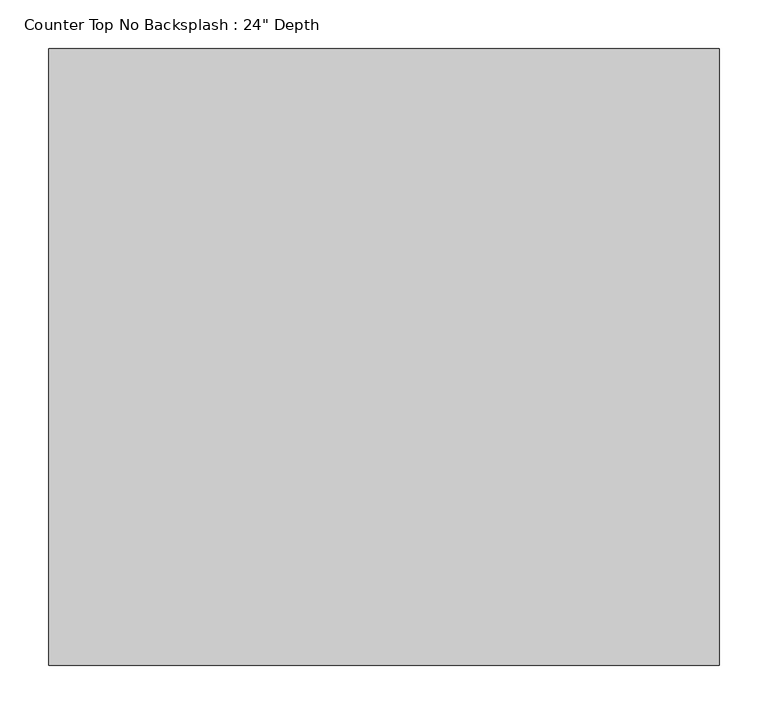
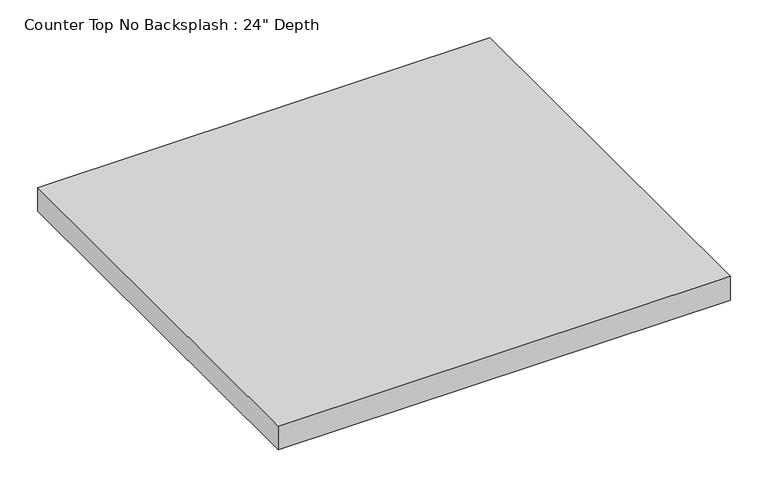
"""IFC4 building model written with IfcOpenShell, lengths in millimetres: furniture geometry."""

import ifcopenshell
import ifcopenshell.guid

model = None  # the IFC model being written
_history = None  # IfcOwnerHistory: only IFC2X3 demands one
_inside = {}  # id of a spatial element -> (the spatial element, [elements in it])
_under = {}  # id of a project, library or spatial element -> (it, [spatial elements below it])
_declared = {}  # id of a project -> (the project, [libraries it declares])
_typed = {}  # id of a type object -> (the type object, [elements of that type])
_made_of = {}  # id of a material, layer set ... -> (it, [elements and type objects made of it])


def new_model(schema):
    """Start an empty IFC model of exactly this schema.

    Asked for "IFC4X3", IfcOpenShell would pick the latest addendum, in which some entities
    have other attributes; the version numbers below select the first issue.
    IFC2X3 requires an IfcOwnerHistory on every rooted entity: one is made here for all.
    """
    global model, _history
    if schema == "IFC4X3":
        model = ifcopenshell.file(schema_version=(4, 3, 0, 0))
    else:
        model = ifcopenshell.file(schema=schema)
    _inside.clear()
    _under.clear()
    _declared.clear()
    _typed.clear()
    _made_of.clear()
    _history = None
    if model.schema == "IFC2X3":
        org = make("IfcOrganization", Name="unknown")
        user = make(
            "IfcPersonAndOrganization",
            ThePerson=make("IfcPerson", FamilyName="unknown"),
            TheOrganization=org,
        )
        app = make(
            "IfcApplication",
            ApplicationDeveloper=org,
            Version="unknown",
            ApplicationFullName="unknown",
            ApplicationIdentifier="unknown",
        )
        _history = make(
            "IfcOwnerHistory",
            OwningUser=user,
            OwningApplication=app,
            ChangeAction="ADDED",
            CreationDate=0,
        )
    return model


def make(cls, **values):
    """One entity of the class cls with the attributes given. An attribute that is None is left unset."""
    return model.create_entity(
        cls, **{name: value for name, value in values.items() if value is not None}
    )


def rooted(cls, **values):
    """An entity with a GlobalId (a new one), such as an element, a storey or a relation."""
    return make(cls, GlobalId=ifcopenshell.guid.new(), OwnerHistory=_history, **values)


def si_unit(unit_type, name, prefix=None):
    """IfcSIUnit, for example si_unit("LENGTHUNIT", "METRE", prefix="MILLI")."""
    return make("IfcSIUnit", UnitType=unit_type, Prefix=prefix, Name=name)


def assignment(units):
    """IfcUnitAssignment: the units of a project."""
    return None if units is None else make("IfcUnitAssignment", Units=units)


def point(xyz):
    """IfcCartesianPoint."""
    return None if xyz is None else make("IfcCartesianPoint", Coordinates=xyz)


def direction(xyz):
    """IfcDirection."""
    return None if xyz is None else make("IfcDirection", DirectionRatios=xyz)


def frame(location, z_axis=None, x_axis=None):
    """IfcAxis2Placement3D, a coordinate frame: its origin and axes. An axis left out is left unset."""
    return make(
        "IfcAxis2Placement3D",
        Location=point(location),
        Axis=direction(z_axis),
        RefDirection=direction(x_axis),
    )


def origin():
    """The frame at (0, 0, 0) with its axes left unset."""
    return frame((0.0, 0.0, 0.0))


def place(relative_to, where):
    """IfcLocalPlacement: puts the frame where relative to a parent placement (None: the world)."""
    return make(
        "IfcLocalPlacement", PlacementRelTo=relative_to, RelativePlacement=where
    )


def context(
    kind, dimensions, precision=None, world=None, true_north=None, identifier=None
):
    """IfcGeometricRepresentationContext, for example the 3D "Model" context."""
    return make(
        "IfcGeometricRepresentationContext",
        ContextIdentifier=identifier,
        ContextType=kind,
        CoordinateSpaceDimension=dimensions,
        Precision=precision,
        WorldCoordinateSystem=world,
        TrueNorth=true_north,
    )


def project(units=None, contexts=None):
    """IfcProject with its units and contexts."""
    return rooted(
        "IfcProject",
        Name="project",
        RepresentationContexts=contexts,
        UnitsInContext=assignment(units),
    )


def spatial(cls, under=None, at=None, **own):
    """A site, building, storey or space (cls), placed at a placement, below another one or the project."""
    s = rooted(cls, ObjectPlacement=at, **own)
    if under is not None:
        _under.setdefault(under.id(), (under, []))[1].append(s)
    return s


def polyline(points):
    """IfcPolyline through the points."""
    return make("IfcPolyline", Points=[point(p) for p in points])


def outline(outer, holes=None, kind="AREA"):
    """IfcArbitraryClosedProfileDef: a profile drawn as a closed curve; with holes, ...WithVoids."""
    if holes is None:
        return make("IfcArbitraryClosedProfileDef", ProfileType=kind, OuterCurve=outer)
    return make(
        "IfcArbitraryProfileDefWithVoids",
        ProfileType=kind,
        OuterCurve=outer,
        InnerCurves=holes,
    )


def extrude(swept, where, along, depth):
    """IfcExtrudedAreaSolid: the profile swept, set in the frame where, extruded along a direction by depth."""
    return make(
        "IfcExtrudedAreaSolid",
        SweptArea=swept,
        Position=where,
        ExtrudedDirection=direction(along),
        Depth=depth,
    )


def shape(context_of_items, identifier, shape_type, items):
    """IfcShapeRepresentation: the items that make up one representation, for example the "Body"."""
    return make(
        "IfcShapeRepresentation",
        ContextOfItems=context_of_items,
        RepresentationIdentifier=identifier,
        RepresentationType=shape_type,
        Items=items,
    )


def source(mapping_origin, context_of_items, identifier, shape_type, items):
    """IfcRepresentationMap: a shape defined once, which mapped items show again and again."""
    return make(
        "IfcRepresentationMap",
        MappingOrigin=mapping_origin,
        MappedRepresentation=shape(context_of_items, identifier, shape_type, items),
    )


def transform(
    local_origin,
    x_axis=None,
    y_axis=None,
    z_axis=None,
    scale=None,
    scale2=None,
    scale3=None,
    uniform=True,
):
    """IfcCartesianTransformationOperator3D, or its non-uniform kind. x_axis, y_axis, z_axis: its Axis1, 2, 3."""
    if uniform:
        return make(
            "IfcCartesianTransformationOperator3D",
            Axis1=direction(x_axis),
            Axis2=direction(y_axis),
            LocalOrigin=point(local_origin),
            Scale=scale,
            Axis3=direction(z_axis),
        )
    return make(
        "IfcCartesianTransformationOperator3DnonUniform",
        Axis1=direction(x_axis),
        Axis2=direction(y_axis),
        LocalOrigin=point(local_origin),
        Scale=scale,
        Axis3=direction(z_axis),
        Scale2=scale2,
        Scale3=scale3,
    )


def mapped(mapping_source, mapping_target):
    """IfcMappedItem: shows the shape of a source again, moved by a transform."""
    return make(
        "IfcMappedItem", MappingSource=mapping_source, MappingTarget=mapping_target
    )


def made_of(thing, what):
    """Note that an element or type object is made of a material, layer set ...; save() writes the relation."""
    if what is not None:
        _made_of.setdefault(what.id(), (what, []))[1].append(thing)
    return thing


def element(
    cls,
    number,
    at=None,
    inside=None,
    cuts=None,
    type_object=None,
    material=None,
    context=None,
    identifier="Body",
    shape_type=None,
    held_by="IfcProductDefinitionShape",
    body=None,
    shapes=None,
    **own,
):
    """One element of the class cls, such as IfcWall. Its Tag is "e" and its number.

    at: its placement. inside: the storey or other place that contains it. cuts: it is an
    opening in that element (IfcRelVoidsElement). A single representation is given by context,
    identifier, shape_type and body (its items); several are given by shapes. held_by: the class
    of the entity that holds the representations. save() writes the other relations.
    """
    e = rooted(cls, Tag="e%d" % number, ObjectPlacement=at, **own)
    if body is not None:
        shapes = [shape(context, identifier, shape_type, body)]
    if shapes is not None:
        e.Representation = make(held_by, Representations=shapes)
    if inside is not None:
        _inside.setdefault(inside.id(), (inside, []))[1].append(e)
    if cuts is not None:
        rooted(
            "IfcRelVoidsElement", RelatingBuildingElement=cuts, RelatedOpeningElement=e
        )
    if type_object is not None:
        _typed.setdefault(type_object.id(), (type_object, []))[1].append(e)
    return made_of(e, material)


def aggregate(whole, parts):
    """IfcRelAggregates: a whole, such as a stair, and the parts it consists of."""
    return rooted("IfcRelAggregates", RelatingObject=whole, RelatedObjects=parts)


def save(model, path):
    """Write the relations noted so far, then the file.

    IfcRelAggregates (storeys below a building ...), IfcRelContainedInSpatialStructure (elements
    in a storey), IfcRelDefinesByType, IfcRelAssociatesMaterial and IfcRelDeclares: one each for
    every whole, place, type object, material and project.
    """
    for whole, parts in _under.values():
        aggregate(whole, parts)
    for where, things in _inside.values():
        rooted(
            "IfcRelContainedInSpatialStructure",
            RelatedElements=things,
            RelatingStructure=where,
        )
    for kind, things in _typed.values():
        rooted("IfcRelDefinesByType", RelatedObjects=things, RelatingType=kind)
    for what, things in _made_of.values():
        rooted("IfcRelAssociatesMaterial", RelatedObjects=things, RelatingMaterial=what)
    for by, libraries in _declared.values():
        rooted("IfcRelDeclares", RelatingContext=by, RelatedDefinitions=libraries)
    model.write(path)


def furniture_fef48d6b(model_context):
    return source(origin(), model_context, "Body", "SweptSolid", [
        extrude(outline(polyline([(-510.3792132, 0.0), (-510.3792132, -635.0), (-1200.4622951, -635.0), (-1200.4622951, 0.0), (-510.3792132, 0.0)])), frame((0.0, 0.0, 876.3), z_axis=(0.0, 0.0, 1.0), x_axis=(1.0, 0.0, 0.0)), (0.0, 0.0, 1.0), 38.1),
    ])


if __name__ == "__main__":
    model = new_model("IFC4")
    model_context = context("Model", 3, world=origin())
    ifc_project = project(units=[si_unit("LENGTHUNIT", "METRE", prefix="MILLI")], contexts=[model_context])
    site = spatial("IfcSite", under=ifc_project)
    building = spatial("IfcBuilding", under=site)
    placement = place(None, origin())
    furniture_shape = furniture_fef48d6b(model_context)
    element("IfcFurniture", 1, ObjectType="Counter Top No Backsplash : 24\" Depth", at=placement, inside=building, context=model_context, shape_type="MappedRepresentation", body=[
        mapped(furniture_shape, transform((0.0, 0.0, 0.0), x_axis=(1.0, 0.0, 0.0), y_axis=(0.0, 1.0, 0.0), z_axis=(0.0, 0.0, 1.0))),
    ])
    save(model, "model.ifc")
